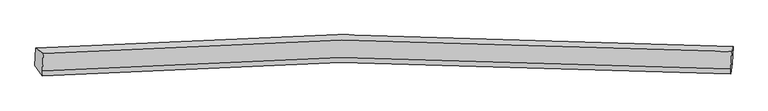
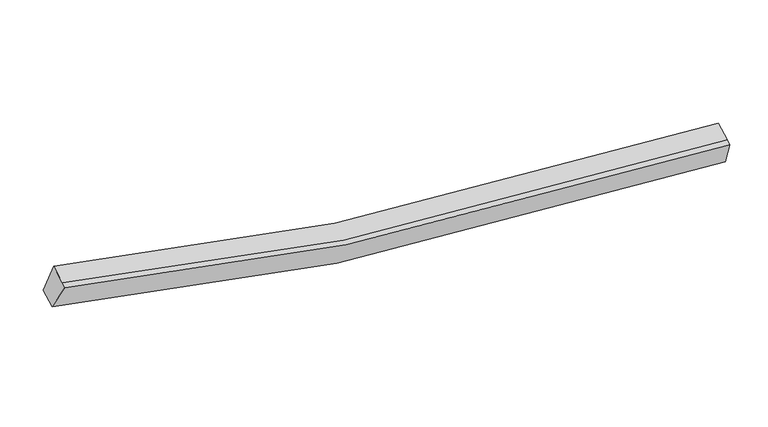
"""IFC4 building model written with IfcOpenShell, lengths in millimetres: proxy geometry."""

from ifc_helpers import new_model, si_unit, frame, origin, place, context, project, spatial, source, transform, mapped, element, save
from ifc_brep_helpers import plane_surface, spline_curve, spline_surface, advanced_brep


def generic_models_eaf83abf(model_context):
    return source(origin(), model_context, "Body", "AdvancedBrep", [
        advanced_brep(
        [(-7958.879201, -1864.897028, 4149.447517), (-7769.7785439, -1995.8555285, 4826.78032), (9509.6231815, -1949.430331, 2674.5684059), (9541.2415498, -1819.0647245, 1971.9347882), (-7791.7184381, -2432.4331544, 4645.6119318), (9487.6832872, -2386.0079569, 2493.4000177), (-7798.2097467, -2561.6024223, 4592.0100368), (9481.1919787, -2515.1772248, 2439.7981227), (-7980.4819384, -2294.7656359, 3971.0631972), (9519.6388124, -2248.9333324, 1793.5504684)],
        [
            (0, 1),
            (1, 2, spline_curve(3, [(-7769.7785439, -1995.8555285, 4826.78032), (-5299.32502984, -1800.901469835, 4090.620765894), (-2803.348606128, -1688.551098301, 3539.377163278), (2940.297246254, -1620.792038757, 2704.930663289), (6204.121399145, -1717.667344835, 2538.770293599), (9509.6231815, -1949.430331, 2674.5684059)], [4, 2, 4], [0.0, 25.34448403842591, 57.73142146109592])),
            (2, 3),
            (3, 0, spline_curve(3, [(9541.2415498, -1819.0647245, 1971.9347882), (6193.576455113, -1584.632877643, 1834.811355999), (2888.087910323, -1486.523726975, 2003.04406892), (-2928.93756345, -1554.641383318, 2847.241148126), (-5456.822603065, -1668.027968844, 3404.846010946), (-7958.879201, -1864.897028, 4149.447517)], [4, 2, 4], [0.0, 32.38693742267001, 57.73142146109592])),
            (1, 4),
            (4, 5, spline_curve(3, [(-7791.7184381, -2432.4331544, 4645.6119318), (-5321.264923849, -2237.47909604, 3909.452378037), (-2825.288500313, -2125.128724237, 3358.208775356), (2918.357352036, -2057.36966461, 2523.762274733), (6182.18150443, -2154.244970937, 2357.601905466), (9487.6832872, -2386.0079569, 2493.4000177)], [4, 2, 4], [0.0, 25.184003350673677, 57.3658674333657])),
            (5, 2),
            (4, 6),
            (6, 7, spline_curve(3, [(-7798.2097467, -2561.6024223, 4592.0100368), (-5327.756232449, -2366.64836394, 3855.850483037), (-2831.779808913, -2254.297992137, 3304.606880356), (2911.866043436, -2186.53893251, 2470.160379733), (6175.69019593, -2283.414238837, 2304.000010466), (9481.1919787, -2515.1772248, 2439.7981227)], [4, 2, 4], [0.0, 25.18400335067368, 57.36586743336571])),
            (7, 5),
            (6, 8),
            (8, 9, spline_curve(3, [(-7980.4819384, -2294.7656359, 3971.0631972), (-5478.425340465, -2097.896576744, 3226.461691146), (-2950.54030085, -1984.509991218, 2668.856828326), (2866.485172923, -1916.392334875, 1824.65974912), (6171.973717713, -2014.501485543, 1656.427036199), (9519.6388124, -2248.9333324, 1793.5504684)], [4, 2, 4], [0.0, 25.344484038425918, 57.731421461095934])),
            (9, 7),
            (8, 0),
            (3, 9),
        ],
        [
            spline_surface(3, 3, [[(-7958.879201, -1864.897028, 4149.447517), (-5456.822603246, -1668.027968726, 3404.846011282), (-2928.937563728, -1554.641383398, 2847.24114805), (2888.087910678, -1486.523726872, 2003.044069017), (6193.576454728, -1584.632877714, 1834.811356028), (9541.2415498, -1819.0647245, 1971.9347882)], [(-7895.845648606, -1908.549861482, 4375.225117997), (-5404.323411985, -1712.31913581, 3633.437596235), (-2887.074577952, -1599.277955028, 3077.953153259), (2905.491022659, -1531.279830804, 2237.006266931), (6197.091436029, -1628.977699992, 2069.46433533), (9530.702093695, -1862.519926656, 2206.145994126)], [(-7832.812096294, -1952.202695018, 4601.002719003), (-5351.824220804, -1756.610302948, 3862.029181197), (-2845.211592184, -1643.914526704, 3308.665158476), (2922.894134632, -1576.035934783, 2470.968464853), (6200.606417344, -1673.322522303, 2304.117314555), (9520.162637605, -1905.975128844, 2440.357199974)], [(-7769.7785439, -1995.8555285, 4826.78032), (-5299.325029542, -1800.901470032, 4090.620766151), (-2803.348606409, -1688.551098333, 3539.377163685), (2940.297246614, -1620.792038716, 2704.930662767), (6204.121398645, -1717.667344581, 2538.770293856), (9509.6231815, -1949.430331, 2674.5684059)]], [4, 4], [4, 2, 4], [0.0, 2.346850649501432], [0.0, 25.34448403842591, 57.73142146109592]),
            spline_surface(3, 3, [[(-7769.7785439, -1995.8555285, 4826.78032), (-5299.325029542, -1800.901470032, 4090.620766151), (-2803.348606409, -1688.551098333, 3539.377163685), (2940.297246614, -1620.792038716, 2704.930662767), (6204.121398645, -1717.667344581, 2538.770293856), (9509.6231815, -1949.430331, 2674.5684059)], [(-7777.091841987, -2141.381403811, 4766.390857264), (-5306.638327629, -1946.427345343, 4030.231303415), (-2810.661904496, -1834.076973644, 3478.987700949), (2932.983948527, -1766.317914027, 2644.541200032), (6196.808100558, -1863.193219892, 2478.38083112), (9502.309883413, -2094.956206311, 2614.178943164)], [(-7784.405140013, -2286.907279089, 4706.001394536), (-5313.951625656, -2091.95322062, 3969.841840687), (-2817.975202522, -1979.602848922, 3418.598238221), (2925.6706505, -1911.843789304, 2584.151737303), (6189.494802432, -2008.71909517, 2417.991368392), (9494.996585287, -2240.482081589, 2553.789480436)], [(-7791.7184381, -2432.4331544, 4645.6119318), (-5321.264923742, -2237.479095932, 3909.452377951), (-2825.288500609, -2125.128724233, 3358.208775485), (2918.357352414, -2057.369664616, 2523.762274567), (6182.181504345, -2154.244970481, 2357.601905656), (9487.6832872, -2386.0079569, 2493.4000177)]], [4, 4], [4, 2, 4], [0.0, 1.5524418790224601], [0.0, 25.184003350673677, 57.3658674333657]),
            spline_surface(3, 3, [[(-7791.7184381, -2432.4331544, 4645.6119318), (-5321.264923742, -2237.479095932, 3909.452377951), (-2825.288500609, -2125.128724233, 3358.208775485), (2918.357352414, -2057.369664616, 2523.762274567), (6182.181504345, -2154.244970481, 2357.601905656), (9487.6832872, -2386.0079569, 2493.4000177)], [(-7793.882207619, -2475.489577027, 4627.744633464), (-5323.428693261, -2280.535518558, 3891.585079615), (-2827.452270128, -2168.18514686, 3340.34147715), (2916.193582895, -2100.426087243, 2505.894976232), (6180.017734826, -2197.301393108, 2339.73460732), (9485.519517681, -2429.064379527, 2475.532719364)], [(-7796.045977181, -2518.545999673, 4609.877335136), (-5325.592462823, -2323.591941205, 3873.717781287), (-2829.61603969, -2211.241569506, 3322.474178821), (2914.029813333, -2143.482509889, 2488.027677903), (6177.853965364, -2240.357815754, 2321.867308992), (9483.355748219, -2472.120802173, 2457.665421036)], [(-7798.2097467, -2561.6024223, 4592.0100368), (-5327.756232342, -2366.648363832, 3855.850482951), (-2831.779809209, -2254.297992133, 3304.606880485), (2911.866043814, -2186.538932516, 2470.160379567), (6175.690195845, -2283.414238381, 2304.000010656), (9481.1919787, -2515.1772248, 2439.7981227)]], [4, 4], [4, 2, 4], [0.0, 0.4593175853018335], [0.0, 25.18400335067368, 57.36586743336571]),
            spline_surface(3, 3, [[(-7798.2097467, -2561.6024223, 4592.0100368), (-5327.756232342, -2366.648363832, 3855.850482951), (-2831.779809209, -2254.297992133, 3304.606880485), (2911.866043814, -2186.538932516, 2470.160379567), (6175.690195845, -2283.414238381, 2304.000010656), (9481.1919787, -2515.1772248, 2439.7981227)], [(-7858.967143951, -2472.656826848, 4385.027756947), (-5377.979268461, -2277.064434777, 3646.054219141), (-2871.366639842, -2164.368658533, 3092.69019642), (2896.739086975, -2096.490066613, 2254.993502797), (6174.451369686, -2193.776654132, 2088.142352499), (9494.007589947, -2426.429260674, 2224.382237918)], [(-7919.724541149, -2383.711231352, 4178.045477053), (-5428.202304527, -2187.48050568, 3436.257955292), (-2910.953470495, -2074.439324898, 2880.773512316), (2881.612130116, -2006.441200675, 2039.826625987), (6173.212543486, -2104.139069862, 1872.284694386), (9506.823201153, -2337.681296526, 2008.966353182)], [(-7980.4819384, -2294.7656359, 3971.0631972), (-5478.425340646, -2097.896576626, 3226.461691482), (-2950.540301128, -1984.509991298, 2668.85682825), (2866.485173278, -1916.392334772, 1824.659749217), (6171.973717328, -2014.501485614, 1656.427036228), (9519.6388124, -2248.9333324, 1793.5504684)]], [4, 4], [4, 2, 4], [0.0, 2.296573632665148], [0.0, 25.344484038425918, 57.731421461095934]),
            spline_surface(3, 3, [[(-7980.4819384, -2294.7656359, 3971.0631972), (-5478.425340646, -2097.896576626, 3226.461691482), (-2950.540301128, -1984.509991298, 2668.85682825), (2866.485173278, -1916.392334772, 1824.659749217), (6171.973717328, -2014.501485614, 1656.427036228), (9519.6388124, -2248.9333324, 1793.5504684)], [(-7973.281025937, -2151.476099932, 4030.524637128), (-5471.224428183, -1954.607040658, 3285.92313141), (-2943.339388664, -1841.220455331, 2728.318268178), (2873.686085741, -1773.102798805, 1884.121189145), (6179.174629791, -1871.211949646, 1715.888476156), (9526.839724863, -2105.643796432, 1853.011908328)], [(-7966.080113463, -2008.186563968, 4089.986077072), (-5464.02351571, -1811.317504694, 3345.384571354), (-2936.138476191, -1697.930919366, 2787.779708122), (2880.886998214, -1629.81326284, 1943.582629089), (6186.375542264, -1727.922413681, 1775.349916101), (9534.040637337, -1962.354260468, 1912.473348272)], [(-7958.879201, -1864.897028, 4149.447517), (-5456.822603246, -1668.027968726, 3404.846011282), (-2928.937563728, -1554.641383398, 2847.24114805), (2888.087910678, -1486.523726872, 2003.044069017), (6193.576454728, -1584.632877714, 1834.811356028), (9541.2415498, -1819.0647245, 1971.9347882)]], [4, 4], [4, 2, 4], [0.0, 1.528585043630852], [0.0, 25.50496497983719, 58.09697606662828]),
            plane_surface(frame((9512.9238806, -2133.1514032, 2219.9629463), z_axis=(0.9974134035406683, -0.06383485790019147, 0.03303957254993499), x_axis=(0.054924048202496335, 0.3803484176832027, -0.9232109347786853))),
            plane_surface(frame((-7876.8373575, -2179.2801537, 4384.8252678), z_axis=(-0.9643898578090224, -0.05856507502059029, 0.257919239574961), x_axis=(-0.046366489693206045, -0.9226376277188981, -0.3828706786250075))),
        ],
        [
            (0, [[1, 2, 3, 4]]),
            (1, [[5, 6, 7, -2]]),
            (2, [[8, 9, 10, -6]]),
            (3, [[11, 12, 13, -9]]),
            (4, [[14, -4, 15, -12]]),
            (5, [[-13, -15, -3, -7, -10]]),
            (6, [[-14, -11, -8, -5, -1]]),
        ],
    ),
    ])


if __name__ == "__main__":
    model = new_model("IFC4")
    model_context = context("Model", 3, world=origin())
    ifc_project = project(units=[si_unit("LENGTHUNIT", "METRE", prefix="MILLI")], contexts=[model_context])
    site = spatial("IfcSite", under=ifc_project)
    building = spatial("IfcBuilding", under=site)
    placement = place(None, origin())
    generic_models_shape = generic_models_eaf83abf(model_context)
    element("IfcBuildingElementProxy", 1, Name="Generic Models", at=placement, inside=building, context=model_context, shape_type="MappedRepresentation", body=[
        mapped(generic_models_shape, transform((0.0, 0.0, 0.0), x_axis=(1.0, 0.0, 0.0), y_axis=(0.0, 1.0, 0.0), z_axis=(0.0, 0.0, 1.0))),
    ])
    save(model, "model.ifc")
